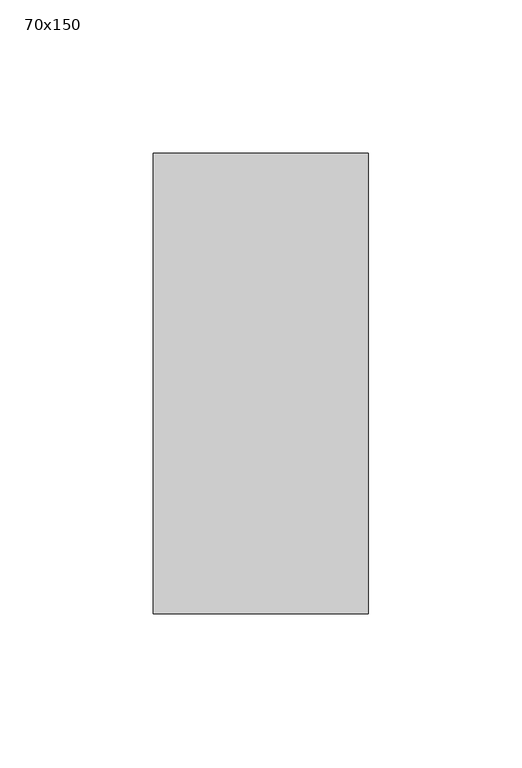
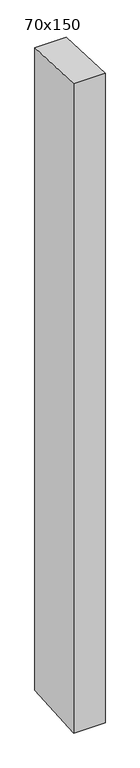
"""IFC4 building model written with IfcOpenShell, lengths in millimetres: member geometry, 70x150."""

from ifc_helpers import new_model, si_unit, frame, origin, place, context, project, spatial, polyline, outline, extrude, source, transform, mapped, element, save


def member_70x150_03ec326a(model_context):
    return source(origin(), model_context, "Body", "SweptSolid", [
        extrude(outline(polyline([(-75.0, 2.8650935), (75.0, -2.8650935), (75.0, -1521.1203848), (-75.0, -1530.78709), (-75.0, 2.8650935)])), frame((-35.0, 0.0, 0.0), z_axis=(1.0, 0.0, 0.0), x_axis=(0.0, 1.0, 0.0)), (0.0, 0.0, 1.0), 70.0),
    ])


if __name__ == "__main__":
    model = new_model("IFC4")
    model_context = context("Model", 3, world=origin())
    ifc_project = project(units=[si_unit("LENGTHUNIT", "METRE", prefix="MILLI")], contexts=[model_context])
    site = spatial("IfcSite", under=ifc_project)
    building = spatial("IfcBuilding", under=site)
    placement = place(None, origin())
    member_70x150_shape = member_70x150_03ec326a(model_context)
    element("IfcMember", 1, ObjectType="70x150", at=placement, inside=building, context=model_context, shape_type="MappedRepresentation", body=[
        mapped(member_70x150_shape, transform((0.0, 0.0, 0.0), x_axis=(1.0, 0.0, 0.0), y_axis=(0.0, 1.0, 0.0), z_axis=(0.0, 0.0, 1.0))),
    ])
    save(model, "model.ifc")
